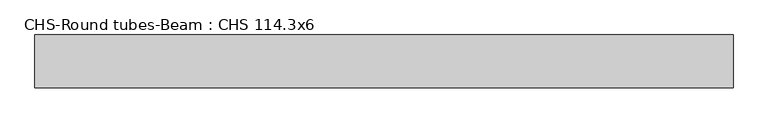
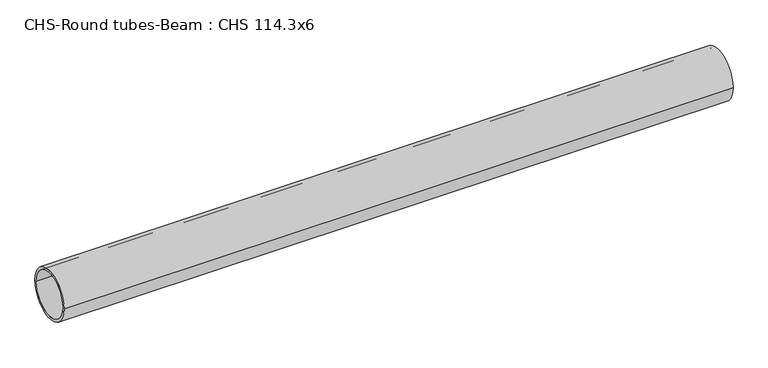
"""IFC4 building model written with IfcOpenShell, lengths in millimetres: beam geometry, CHS-Round tubes-Beam : CHS 114.3x6."""

import ifcopenshell
import ifcopenshell.guid

model = None  # the IFC model being written
_history = None  # IfcOwnerHistory: only IFC2X3 demands one
_inside = {}  # id of a spatial element -> (the spatial element, [elements in it])
_under = {}  # id of a project, library or spatial element -> (it, [spatial elements below it])
_declared = {}  # id of a project -> (the project, [libraries it declares])
_typed = {}  # id of a type object -> (the type object, [elements of that type])
_made_of = {}  # id of a material, layer set ... -> (it, [elements and type objects made of it])


def new_model(schema):
    """Start an empty IFC model of exactly this schema.

    Asked for "IFC4X3", IfcOpenShell would pick the latest addendum, in which some entities
    have other attributes; the version numbers below select the first issue.
    IFC2X3 requires an IfcOwnerHistory on every rooted entity: one is made here for all.
    """
    global model, _history
    if schema == "IFC4X3":
        model = ifcopenshell.file(schema_version=(4, 3, 0, 0))
    else:
        model = ifcopenshell.file(schema=schema)
    _inside.clear()
    _under.clear()
    _declared.clear()
    _typed.clear()
    _made_of.clear()
    _history = None
    if model.schema == "IFC2X3":
        org = make("IfcOrganization", Name="unknown")
        user = make(
            "IfcPersonAndOrganization",
            ThePerson=make("IfcPerson", FamilyName="unknown"),
            TheOrganization=org,
        )
        app = make(
            "IfcApplication",
            ApplicationDeveloper=org,
            Version="unknown",
            ApplicationFullName="unknown",
            ApplicationIdentifier="unknown",
        )
        _history = make(
            "IfcOwnerHistory",
            OwningUser=user,
            OwningApplication=app,
            ChangeAction="ADDED",
            CreationDate=0,
        )
    return model


def make(cls, **values):
    """One entity of the class cls with the attributes given. An attribute that is None is left unset."""
    return model.create_entity(
        cls, **{name: value for name, value in values.items() if value is not None}
    )


def rooted(cls, **values):
    """An entity with a GlobalId (a new one), such as an element, a storey or a relation."""
    return make(cls, GlobalId=ifcopenshell.guid.new(), OwnerHistory=_history, **values)


def si_unit(unit_type, name, prefix=None):
    """IfcSIUnit, for example si_unit("LENGTHUNIT", "METRE", prefix="MILLI")."""
    return make("IfcSIUnit", UnitType=unit_type, Prefix=prefix, Name=name)


def assignment(units):
    """IfcUnitAssignment: the units of a project."""
    return None if units is None else make("IfcUnitAssignment", Units=units)


def point(xyz):
    """IfcCartesianPoint."""
    return None if xyz is None else make("IfcCartesianPoint", Coordinates=xyz)


def direction(xyz):
    """IfcDirection."""
    return None if xyz is None else make("IfcDirection", DirectionRatios=xyz)


def frame(location, z_axis=None, x_axis=None):
    """IfcAxis2Placement3D, a coordinate frame: its origin and axes. An axis left out is left unset."""
    return make(
        "IfcAxis2Placement3D",
        Location=point(location),
        Axis=direction(z_axis),
        RefDirection=direction(x_axis),
    )


def frame_2d(location, x_axis=None):
    """IfcAxis2Placement2D, a coordinate frame in the plane: its origin and x axis."""
    return make(
        "IfcAxis2Placement2D", Location=point(location), RefDirection=direction(x_axis)
    )


def origin():
    """The frame at (0, 0, 0) with its axes left unset."""
    return frame((0.0, 0.0, 0.0))


def origin_2d():
    """The frame at (0, 0) in the plane with its x axis left unset."""
    return frame_2d((0.0, 0.0))


def place(relative_to, where):
    """IfcLocalPlacement: puts the frame where relative to a parent placement (None: the world)."""
    return make(
        "IfcLocalPlacement", PlacementRelTo=relative_to, RelativePlacement=where
    )


def context(
    kind, dimensions, precision=None, world=None, true_north=None, identifier=None
):
    """IfcGeometricRepresentationContext, for example the 3D "Model" context."""
    return make(
        "IfcGeometricRepresentationContext",
        ContextIdentifier=identifier,
        ContextType=kind,
        CoordinateSpaceDimension=dimensions,
        Precision=precision,
        WorldCoordinateSystem=world,
        TrueNorth=true_north,
    )


def project(units=None, contexts=None):
    """IfcProject with its units and contexts."""
    return rooted(
        "IfcProject",
        Name="project",
        RepresentationContexts=contexts,
        UnitsInContext=assignment(units),
    )


def spatial(cls, under=None, at=None, **own):
    """A site, building, storey or space (cls), placed at a placement, below another one or the project."""
    s = rooted(cls, ObjectPlacement=at, **own)
    if under is not None:
        _under.setdefault(under.id(), (under, []))[1].append(s)
    return s


def circle_curve(where, radius):
    """IfcCircle in the frame where."""
    return make("IfcCircle", Position=where, Radius=radius)


def trimmed(basis, trim1, trim2, sense, master):
    """IfcTrimmedCurve: the piece of a basis curve between two trims."""
    return make(
        "IfcTrimmedCurve",
        BasisCurve=basis,
        Trim1=trim1,
        Trim2=trim2,
        SenseAgreement=sense,
        MasterRepresentation=master,
    )


def segment(curve, same_sense, transition):
    """IfcCompositeCurveSegment."""
    return make(
        "IfcCompositeCurveSegment",
        Transition=transition,
        SameSense=same_sense,
        ParentCurve=curve,
    )


def composite_curve(segments, self_intersect=None):
    """IfcCompositeCurve: segments joined end to end."""
    return make("IfcCompositeCurve", Segments=segments, SelfIntersect=self_intersect)


def outline(outer, holes=None, kind="AREA"):
    """IfcArbitraryClosedProfileDef: a profile drawn as a closed curve; with holes, ...WithVoids."""
    if holes is None:
        return make("IfcArbitraryClosedProfileDef", ProfileType=kind, OuterCurve=outer)
    return make(
        "IfcArbitraryProfileDefWithVoids",
        ProfileType=kind,
        OuterCurve=outer,
        InnerCurves=holes,
    )


def extrude(swept, where, along, depth):
    """IfcExtrudedAreaSolid: the profile swept, set in the frame where, extruded along a direction by depth."""
    return make(
        "IfcExtrudedAreaSolid",
        SweptArea=swept,
        Position=where,
        ExtrudedDirection=direction(along),
        Depth=depth,
    )


def shape(context_of_items, identifier, shape_type, items):
    """IfcShapeRepresentation: the items that make up one representation, for example the "Body"."""
    return make(
        "IfcShapeRepresentation",
        ContextOfItems=context_of_items,
        RepresentationIdentifier=identifier,
        RepresentationType=shape_type,
        Items=items,
    )


def source(mapping_origin, context_of_items, identifier, shape_type, items):
    """IfcRepresentationMap: a shape defined once, which mapped items show again and again."""
    return make(
        "IfcRepresentationMap",
        MappingOrigin=mapping_origin,
        MappedRepresentation=shape(context_of_items, identifier, shape_type, items),
    )


def transform(
    local_origin,
    x_axis=None,
    y_axis=None,
    z_axis=None,
    scale=None,
    scale2=None,
    scale3=None,
    uniform=True,
):
    """IfcCartesianTransformationOperator3D, or its non-uniform kind. x_axis, y_axis, z_axis: its Axis1, 2, 3."""
    if uniform:
        return make(
            "IfcCartesianTransformationOperator3D",
            Axis1=direction(x_axis),
            Axis2=direction(y_axis),
            LocalOrigin=point(local_origin),
            Scale=scale,
            Axis3=direction(z_axis),
        )
    return make(
        "IfcCartesianTransformationOperator3DnonUniform",
        Axis1=direction(x_axis),
        Axis2=direction(y_axis),
        LocalOrigin=point(local_origin),
        Scale=scale,
        Axis3=direction(z_axis),
        Scale2=scale2,
        Scale3=scale3,
    )


def mapped(mapping_source, mapping_target):
    """IfcMappedItem: shows the shape of a source again, moved by a transform."""
    return make(
        "IfcMappedItem", MappingSource=mapping_source, MappingTarget=mapping_target
    )


def made_of(thing, what):
    """Note that an element or type object is made of a material, layer set ...; save() writes the relation."""
    if what is not None:
        _made_of.setdefault(what.id(), (what, []))[1].append(thing)
    return thing


def element(
    cls,
    number,
    at=None,
    inside=None,
    cuts=None,
    type_object=None,
    material=None,
    context=None,
    identifier="Body",
    shape_type=None,
    held_by="IfcProductDefinitionShape",
    body=None,
    shapes=None,
    **own,
):
    """One element of the class cls, such as IfcWall. Its Tag is "e" and its number.

    at: its placement. inside: the storey or other place that contains it. cuts: it is an
    opening in that element (IfcRelVoidsElement). A single representation is given by context,
    identifier, shape_type and body (its items); several are given by shapes. held_by: the class
    of the entity that holds the representations. save() writes the other relations.
    """
    e = rooted(cls, Tag="e%d" % number, ObjectPlacement=at, **own)
    if body is not None:
        shapes = [shape(context, identifier, shape_type, body)]
    if shapes is not None:
        e.Representation = make(held_by, Representations=shapes)
    if inside is not None:
        _inside.setdefault(inside.id(), (inside, []))[1].append(e)
    if cuts is not None:
        rooted(
            "IfcRelVoidsElement", RelatingBuildingElement=cuts, RelatedOpeningElement=e
        )
    if type_object is not None:
        _typed.setdefault(type_object.id(), (type_object, []))[1].append(e)
    return made_of(e, material)


def aggregate(whole, parts):
    """IfcRelAggregates: a whole, such as a stair, and the parts it consists of."""
    return rooted("IfcRelAggregates", RelatingObject=whole, RelatedObjects=parts)


def save(model, path):
    """Write the relations noted so far, then the file.

    IfcRelAggregates (storeys below a building ...), IfcRelContainedInSpatialStructure (elements
    in a storey), IfcRelDefinesByType, IfcRelAssociatesMaterial and IfcRelDeclares: one each for
    every whole, place, type object, material and project.
    """
    for whole, parts in _under.values():
        aggregate(whole, parts)
    for where, things in _inside.values():
        rooted(
            "IfcRelContainedInSpatialStructure",
            RelatedElements=things,
            RelatingStructure=where,
        )
    for kind, things in _typed.values():
        rooted("IfcRelDefinesByType", RelatedObjects=things, RelatingType=kind)
    for what, things in _made_of.values():
        rooted("IfcRelAssociatesMaterial", RelatedObjects=things, RelatingMaterial=what)
    for by, libraries in _declared.values():
        rooted("IfcRelDeclares", RelatingContext=by, RelatedDefinitions=libraries)
    model.write(path)


def chs_round_tubes_beam_chs_114_3x6_fdd9ee01(model_context):
    return source(origin(), model_context, "Body", "SweptSolid", [
        extrude(outline(composite_curve([segment(trimmed(circle_curve(origin_2d(), 57.15), [point((57.15, 0.0))], [point((-57.15, 0.0))], False, "CARTESIAN"), True, "CONTINUOUS"), segment(trimmed(circle_curve(origin_2d(), 57.15), [point((-57.15, 0.0))], [point((57.15, 0.0))], False, "CARTESIAN"), True, "CONTINUOUS")], self_intersect=False), holes=[composite_curve([segment(trimmed(circle_curve(origin_2d(), 51.15), [point((51.15, 0.0))], [point((-51.15, 0.0))], True, "CARTESIAN"), True, "CONTINUOUS"), segment(trimmed(circle_curve(origin_2d(), 51.15), [point((-51.15, 0.0))], [point((51.15, 0.0))], True, "CARTESIAN"), True, "CONTINUOUS")], self_intersect=False)]), frame((-736.8886154, 0.0, 0.0), z_axis=(1.0, 0.0, 0.0), x_axis=(0.0, 1.0, 0.0)), (0.0, 0.0, 1.0), 1511.5145423),
    ])


if __name__ == "__main__":
    model = new_model("IFC4")
    model_context = context("Model", 3, world=origin())
    ifc_project = project(units=[si_unit("LENGTHUNIT", "METRE", prefix="MILLI")], contexts=[model_context])
    site = spatial("IfcSite", under=ifc_project)
    building = spatial("IfcBuilding", under=site)
    placement = place(None, origin())
    chs_round_tubes_beam_chs_114_3x6_shape = chs_round_tubes_beam_chs_114_3x6_fdd9ee01(model_context)
    element("IfcBeam", 1, ObjectType="CHS-Round tubes-Beam : CHS 114.3x6", at=placement, inside=building, context=model_context, shape_type="MappedRepresentation", body=[
        mapped(chs_round_tubes_beam_chs_114_3x6_shape, transform((0.0, 0.0, 0.0), x_axis=(1.0, 0.0, 0.0), y_axis=(0.0, 1.0, 0.0), z_axis=(0.0, 0.0, 1.0))),
    ])
    save(model, "model.ifc")
